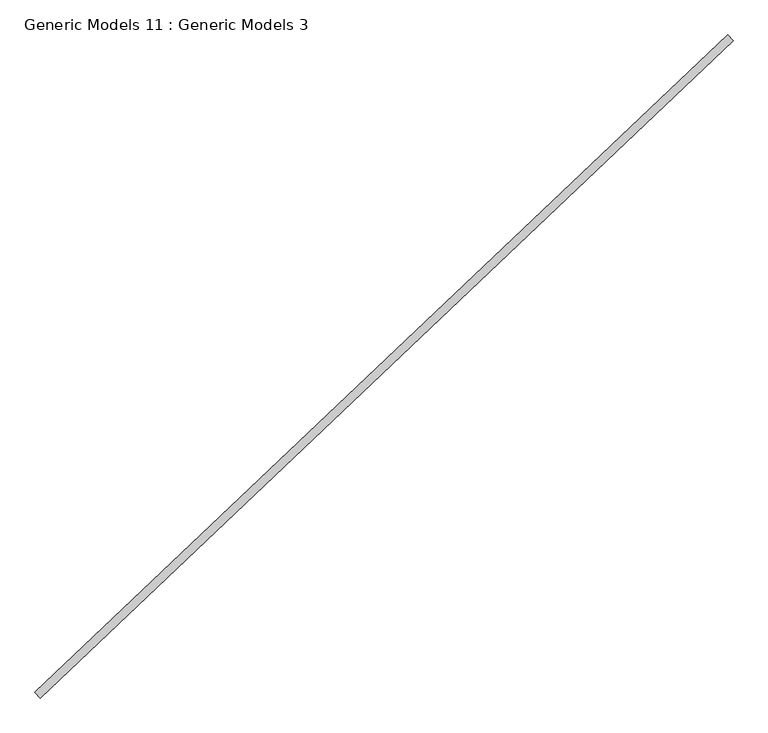
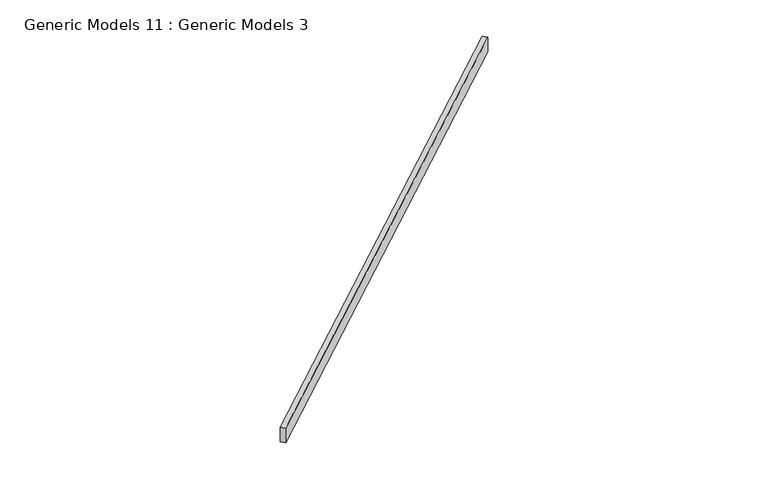
"""IFC4 building model written with IfcOpenShell, lengths in millimetres: proxy geometry, Generic Models 11 : Generic Models 3."""

import ifcopenshell
import ifcopenshell.guid

model = None  # the IFC model being written
_history = None  # IfcOwnerHistory: only IFC2X3 demands one
_inside = {}  # id of a spatial element -> (the spatial element, [elements in it])
_under = {}  # id of a project, library or spatial element -> (it, [spatial elements below it])
_declared = {}  # id of a project -> (the project, [libraries it declares])
_typed = {}  # id of a type object -> (the type object, [elements of that type])
_made_of = {}  # id of a material, layer set ... -> (it, [elements and type objects made of it])


def new_model(schema):
    """Start an empty IFC model of exactly this schema.

    Asked for "IFC4X3", IfcOpenShell would pick the latest addendum, in which some entities
    have other attributes; the version numbers below select the first issue.
    IFC2X3 requires an IfcOwnerHistory on every rooted entity: one is made here for all.
    """
    global model, _history
    if schema == "IFC4X3":
        model = ifcopenshell.file(schema_version=(4, 3, 0, 0))
    else:
        model = ifcopenshell.file(schema=schema)
    _inside.clear()
    _under.clear()
    _declared.clear()
    _typed.clear()
    _made_of.clear()
    _history = None
    if model.schema == "IFC2X3":
        org = make("IfcOrganization", Name="unknown")
        user = make(
            "IfcPersonAndOrganization",
            ThePerson=make("IfcPerson", FamilyName="unknown"),
            TheOrganization=org,
        )
        app = make(
            "IfcApplication",
            ApplicationDeveloper=org,
            Version="unknown",
            ApplicationFullName="unknown",
            ApplicationIdentifier="unknown",
        )
        _history = make(
            "IfcOwnerHistory",
            OwningUser=user,
            OwningApplication=app,
            ChangeAction="ADDED",
            CreationDate=0,
        )
    return model


def make(cls, **values):
    """One entity of the class cls with the attributes given. An attribute that is None is left unset."""
    return model.create_entity(
        cls, **{name: value for name, value in values.items() if value is not None}
    )


def rooted(cls, **values):
    """An entity with a GlobalId (a new one), such as an element, a storey or a relation."""
    return make(cls, GlobalId=ifcopenshell.guid.new(), OwnerHistory=_history, **values)


def si_unit(unit_type, name, prefix=None):
    """IfcSIUnit, for example si_unit("LENGTHUNIT", "METRE", prefix="MILLI")."""
    return make("IfcSIUnit", UnitType=unit_type, Prefix=prefix, Name=name)


def assignment(units):
    """IfcUnitAssignment: the units of a project."""
    return None if units is None else make("IfcUnitAssignment", Units=units)


def point(xyz):
    """IfcCartesianPoint."""
    return None if xyz is None else make("IfcCartesianPoint", Coordinates=xyz)


def direction(xyz):
    """IfcDirection."""
    return None if xyz is None else make("IfcDirection", DirectionRatios=xyz)


def frame(location, z_axis=None, x_axis=None):
    """IfcAxis2Placement3D, a coordinate frame: its origin and axes. An axis left out is left unset."""
    return make(
        "IfcAxis2Placement3D",
        Location=point(location),
        Axis=direction(z_axis),
        RefDirection=direction(x_axis),
    )


def origin():
    """The frame at (0, 0, 0) with its axes left unset."""
    return frame((0.0, 0.0, 0.0))


def place(relative_to, where):
    """IfcLocalPlacement: puts the frame where relative to a parent placement (None: the world)."""
    return make(
        "IfcLocalPlacement", PlacementRelTo=relative_to, RelativePlacement=where
    )


def context(
    kind, dimensions, precision=None, world=None, true_north=None, identifier=None
):
    """IfcGeometricRepresentationContext, for example the 3D "Model" context."""
    return make(
        "IfcGeometricRepresentationContext",
        ContextIdentifier=identifier,
        ContextType=kind,
        CoordinateSpaceDimension=dimensions,
        Precision=precision,
        WorldCoordinateSystem=world,
        TrueNorth=true_north,
    )


def project(units=None, contexts=None):
    """IfcProject with its units and contexts."""
    return rooted(
        "IfcProject",
        Name="project",
        RepresentationContexts=contexts,
        UnitsInContext=assignment(units),
    )


def spatial(cls, under=None, at=None, **own):
    """A site, building, storey or space (cls), placed at a placement, below another one or the project."""
    s = rooted(cls, ObjectPlacement=at, **own)
    if under is not None:
        _under.setdefault(under.id(), (under, []))[1].append(s)
    return s


def polyline(points):
    """IfcPolyline through the points."""
    return make("IfcPolyline", Points=[point(p) for p in points])


def outline(outer, holes=None, kind="AREA"):
    """IfcArbitraryClosedProfileDef: a profile drawn as a closed curve; with holes, ...WithVoids."""
    if holes is None:
        return make("IfcArbitraryClosedProfileDef", ProfileType=kind, OuterCurve=outer)
    return make(
        "IfcArbitraryProfileDefWithVoids",
        ProfileType=kind,
        OuterCurve=outer,
        InnerCurves=holes,
    )


def extrude(swept, where, along, depth):
    """IfcExtrudedAreaSolid: the profile swept, set in the frame where, extruded along a direction by depth."""
    return make(
        "IfcExtrudedAreaSolid",
        SweptArea=swept,
        Position=where,
        ExtrudedDirection=direction(along),
        Depth=depth,
    )


def shape(context_of_items, identifier, shape_type, items):
    """IfcShapeRepresentation: the items that make up one representation, for example the "Body"."""
    return make(
        "IfcShapeRepresentation",
        ContextOfItems=context_of_items,
        RepresentationIdentifier=identifier,
        RepresentationType=shape_type,
        Items=items,
    )


def source(mapping_origin, context_of_items, identifier, shape_type, items):
    """IfcRepresentationMap: a shape defined once, which mapped items show again and again."""
    return make(
        "IfcRepresentationMap",
        MappingOrigin=mapping_origin,
        MappedRepresentation=shape(context_of_items, identifier, shape_type, items),
    )


def transform(
    local_origin,
    x_axis=None,
    y_axis=None,
    z_axis=None,
    scale=None,
    scale2=None,
    scale3=None,
    uniform=True,
):
    """IfcCartesianTransformationOperator3D, or its non-uniform kind. x_axis, y_axis, z_axis: its Axis1, 2, 3."""
    if uniform:
        return make(
            "IfcCartesianTransformationOperator3D",
            Axis1=direction(x_axis),
            Axis2=direction(y_axis),
            LocalOrigin=point(local_origin),
            Scale=scale,
            Axis3=direction(z_axis),
        )
    return make(
        "IfcCartesianTransformationOperator3DnonUniform",
        Axis1=direction(x_axis),
        Axis2=direction(y_axis),
        LocalOrigin=point(local_origin),
        Scale=scale,
        Axis3=direction(z_axis),
        Scale2=scale2,
        Scale3=scale3,
    )


def mapped(mapping_source, mapping_target):
    """IfcMappedItem: shows the shape of a source again, moved by a transform."""
    return make(
        "IfcMappedItem", MappingSource=mapping_source, MappingTarget=mapping_target
    )


def made_of(thing, what):
    """Note that an element or type object is made of a material, layer set ...; save() writes the relation."""
    if what is not None:
        _made_of.setdefault(what.id(), (what, []))[1].append(thing)
    return thing


def element(
    cls,
    number,
    at=None,
    inside=None,
    cuts=None,
    type_object=None,
    material=None,
    context=None,
    identifier="Body",
    shape_type=None,
    held_by="IfcProductDefinitionShape",
    body=None,
    shapes=None,
    **own,
):
    """One element of the class cls, such as IfcWall. Its Tag is "e" and its number.

    at: its placement. inside: the storey or other place that contains it. cuts: it is an
    opening in that element (IfcRelVoidsElement). A single representation is given by context,
    identifier, shape_type and body (its items); several are given by shapes. held_by: the class
    of the entity that holds the representations. save() writes the other relations.
    """
    e = rooted(cls, Tag="e%d" % number, ObjectPlacement=at, **own)
    if body is not None:
        shapes = [shape(context, identifier, shape_type, body)]
    if shapes is not None:
        e.Representation = make(held_by, Representations=shapes)
    if inside is not None:
        _inside.setdefault(inside.id(), (inside, []))[1].append(e)
    if cuts is not None:
        rooted(
            "IfcRelVoidsElement", RelatingBuildingElement=cuts, RelatedOpeningElement=e
        )
    if type_object is not None:
        _typed.setdefault(type_object.id(), (type_object, []))[1].append(e)
    return made_of(e, material)


def aggregate(whole, parts):
    """IfcRelAggregates: a whole, such as a stair, and the parts it consists of."""
    return rooted("IfcRelAggregates", RelatingObject=whole, RelatedObjects=parts)


def save(model, path):
    """Write the relations noted so far, then the file.

    IfcRelAggregates (storeys below a building ...), IfcRelContainedInSpatialStructure (elements
    in a storey), IfcRelDefinesByType, IfcRelAssociatesMaterial and IfcRelDeclares: one each for
    every whole, place, type object, material and project.
    """
    for whole, parts in _under.values():
        aggregate(whole, parts)
    for where, things in _inside.values():
        rooted(
            "IfcRelContainedInSpatialStructure",
            RelatedElements=things,
            RelatingStructure=where,
        )
    for kind, things in _typed.values():
        rooted("IfcRelDefinesByType", RelatedObjects=things, RelatingType=kind)
    for what, things in _made_of.values():
        rooted("IfcRelAssociatesMaterial", RelatedObjects=things, RelatingMaterial=what)
    for by, libraries in _declared.values():
        rooted("IfcRelDeclares", RelatingContext=by, RelatedDefinitions=libraries)
    model.write(path)


def generic_models_11_generic_models_3_b99999dc(model_context):
    return source(origin(), model_context, "Body", "SweptSolid", [
        extrude(outline(polyline([(103208.4658888, 60250.4506455), (103234.6921981, 60222.813882), (99948.220401, 57104.0685971), (99921.9940917, 57131.7053606), (103208.4658888, 60250.4506455)])), frame((0.0, 0.0, 16280.789897), z_axis=(0.0, 0.0, 1.0), x_axis=(1.0, 0.0, 0.0)), (0.0, 0.0, 1.0), 113.3414719),
    ])


if __name__ == "__main__":
    model = new_model("IFC4")
    model_context = context("Model", 3, world=origin())
    ifc_project = project(units=[si_unit("LENGTHUNIT", "METRE", prefix="MILLI")], contexts=[model_context])
    site = spatial("IfcSite", under=ifc_project)
    building = spatial("IfcBuilding", under=site)
    placement = place(None, origin())
    generic_models_11_generic_models_3_shape = generic_models_11_generic_models_3_b99999dc(model_context)
    element("IfcBuildingElementProxy", 1, Name="Generic Models 11 : Generic Models 3", ObjectType="Generic Models 11 : Generic Models 3", at=placement, inside=building, context=model_context, shape_type="MappedRepresentation", body=[
        mapped(generic_models_11_generic_models_3_shape, transform((0.0, 0.0, 0.0), x_axis=(1.0, 0.0, 0.0), y_axis=(0.0, 1.0, 0.0), z_axis=(0.0, 0.0, 1.0))),
    ])
    save(model, "model.ifc")
